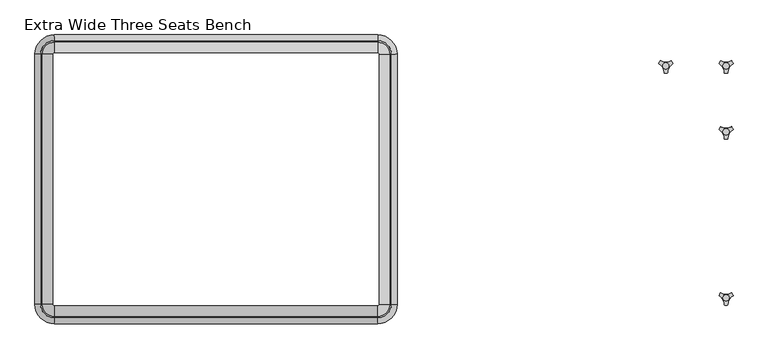
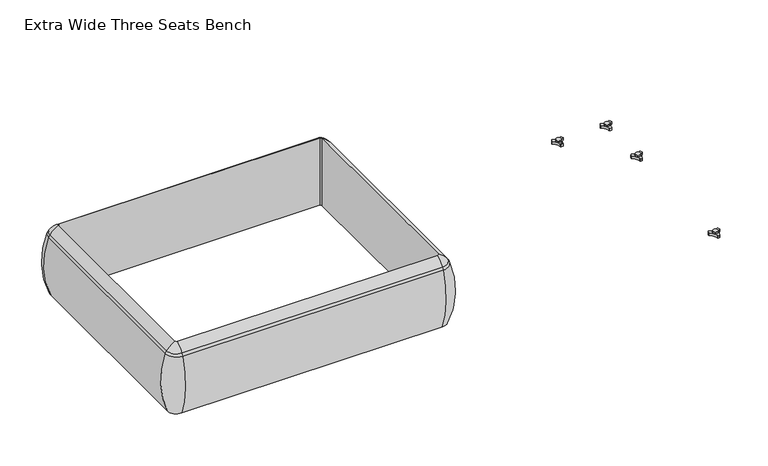
"""IFC4 building model written with IfcOpenShell, lengths in millimetres: furniture geometry, Extra Wide Three Seats Bench."""

from ifc_helpers import new_model, si_unit, point, frame, origin, place, context, project, spatial, polyline, circle_curve, ellipse_curve, trimmed, source, transform, mapped, element, save
from ifc_brep_helpers import plane_surface, cylinder_surface, revolved_surface, advanced_brep


def extra_wide_three_seats_bench_f6587ee9(model_context):
    return source(origin(), model_context, "Body", "AdvancedBrep", [
        advanced_brep(
        [(-1649.118707, -668.4794123, 390.3914007), (-1643.8388998, -673.7592195, 390.3914007), (-1643.8388998, -673.7592195, 123.9999984), (-1649.118707, -668.4794123, 123.9999984), (-1677.8067512, -668.4794123, 123.9999984), (-1643.8388998, -702.4472637, 123.9999984), (-1643.8388998, -710.1267287, 353.7769053), (-1685.4862162, -668.4794123, 353.7769053), (-1649.118707, 89.8571486, 123.9999984), (-1649.118707, 89.8571486, 390.3914007), (-1685.4862162, 89.8571486, 353.7769053), (-1677.8067512, 89.8571486, 123.9999984), (-1643.8388998, 95.1369558, 390.3914007), (-1643.8388998, 95.1369558, 123.9999984), (-1643.8388998, 123.825, 123.9999984), (-1643.8388998, 131.504465, 353.7769053), (-664.6688998, 95.1369558, 123.9999984), (-664.6688998, 95.1369558, 390.3914007), (-664.6688998, 131.504465, 353.7769053), (-664.6688998, 123.825, 123.9999984), (-659.3890925, 89.8571486, 390.3914007), (-659.3890925, 89.8571486, 123.9999984), (-630.7010483, 89.8571486, 123.9999984), (-623.0215833, 89.8571486, 353.7769053), (-659.3890925, -668.4794123, 123.9999984), (-659.3890925, -668.4794123, 390.3914007), (-623.0215833, -668.4794123, 353.7769053), (-630.7010483, -668.4794123, 123.9999984), (-664.6688998, -673.7592195, 390.3914007), (-664.6688998, -673.7592195, 123.9999984), (-664.6688998, -702.4472637, 123.9999984), (-664.6688998, -710.1267287, 353.7769053), (-1680.2677563, -668.4794123, 363.6402875), (-1643.8388998, -704.9082688, 363.6402875), (-1680.2677563, 89.8571486, 363.6402875), (-1643.8388998, 126.2860051, 363.6402875), (-664.6688998, 126.2860051, 363.6402875), (-628.2400432, 89.8571486, 363.6402875), (-628.2400432, -668.4794123, 363.6402875), (-664.6688998, -704.9082688, 363.6402875)],
        [
            (0, 1, circle_curve(frame((-1643.8388998, -668.4794123, 390.3914007), z_axis=(0.0, 0.0, 1.0), x_axis=(0.0, -1.0, 0.0)), 5.2798073)),
            (1, 2),
            (2, 3, circle_curve(frame((-1643.8388998, -668.4794123, 123.9999984), z_axis=(0.0, 0.0, -1.0), x_axis=(0.0, -1.0, 0.0)), 5.2798073)),
            (3, 0),
            (4, 5, circle_curve(frame((-1643.8388998, -668.4794123, 123.9999984), z_axis=(0.0, 0.0, 1.0), x_axis=(0.0, -1.0, 0.0)), 33.9678514)),
            (5, 6, circle_curve(frame((-1643.8388998, -406.0729797, 248.9220234), z_axis=(-1.0, 0.0, 0.0), x_axis=(0.0, -1.0, 0.0)), 321.625914)),
            (6, 7, circle_curve(frame((-1643.8388998, -668.4794123, 353.7769053), z_axis=(0.0, 0.0, -1.0), x_axis=(0.0, -1.0, 0.0)), 41.6473165)),
            (7, 4, circle_curve(frame((-1381.4324672, -668.4794123, 248.9220234), z_axis=(0.0, -1.0, 0.0), x_axis=(-1.0, 0.0, 0.0)), 321.625914)),
            (3, 8),
            (8, 9),
            (9, 0),
            (7, 10),
            (10, 11, circle_curve(frame((-1381.4324672, 89.8571486, 248.9220234), z_axis=(0.0, -1.0, 0.0), x_axis=(-1.0, 0.0, 0.0)), 321.625914)),
            (11, 4),
            (12, 9, circle_curve(frame((-1643.8388998, 89.8571486, 390.3914007), z_axis=(0.0, 0.0, 1.0), x_axis=(-1.0, 0.0, 0.0)), 5.2798073)),
            (8, 13, circle_curve(frame((-1643.8388998, 89.8571486, 123.9999984), z_axis=(0.0, 0.0, -1.0), x_axis=(-1.0, 0.0, 0.0)), 5.2798073)),
            (13, 12),
            (14, 11, circle_curve(frame((-1643.8388998, 89.8571486, 123.9999984), z_axis=(0.0, 0.0, 1.0), x_axis=(-1.0, 0.0, 0.0)), 33.9678514)),
            (10, 15, circle_curve(frame((-1643.8388998, 89.8571486, 353.7769053), z_axis=(0.0, 0.0, -1.0), x_axis=(-1.0, 0.0, 0.0)), 41.6473165)),
            (15, 14, circle_curve(frame((-1643.8388998, -172.549284, 248.9220234), z_axis=(-1.0, 0.0, 0.0), x_axis=(0.0, 1.0, 0.0)), 321.625914)),
            (13, 16),
            (16, 17),
            (17, 12),
            (15, 18),
            (18, 19, circle_curve(frame((-664.6688998, -172.549284, 248.9220234), z_axis=(-1.0, 0.0, 0.0), x_axis=(0.0, 1.0, 0.0)), 321.625914)),
            (19, 14),
            (20, 17, circle_curve(frame((-664.6688998, 89.8571486, 390.3914007), z_axis=(0.0, 0.0, 1.0), x_axis=(0.0, 1.0, 0.0)), 5.2798073)),
            (16, 21, circle_curve(frame((-664.6688998, 89.8571486, 123.9999984), z_axis=(0.0, 0.0, -1.0), x_axis=(0.0, 1.0, 0.0)), 5.2798073)),
            (21, 20),
            (22, 19, circle_curve(frame((-664.6688998, 89.8571486, 123.9999984), z_axis=(0.0, 0.0, 1.0), x_axis=(0.0, 1.0, 0.0)), 33.9678514)),
            (18, 23, circle_curve(frame((-664.6688998, 89.8571486, 353.7769053), z_axis=(0.0, 0.0, -1.0), x_axis=(0.0, 1.0, 0.0)), 41.6473165)),
            (23, 22, circle_curve(frame((-927.0753323, 89.8571486, 248.9220234), z_axis=(0.0, 1.0, 0.0), x_axis=(1.0, 0.0, 0.0)), 321.625914)),
            (21, 24),
            (24, 25),
            (25, 20),
            (23, 26),
            (26, 27, circle_curve(frame((-927.0753323, -668.4794123, 248.9220234), z_axis=(0.0, 1.0, 0.0), x_axis=(1.0, 0.0, 0.0)), 321.625914)),
            (27, 22),
            (28, 25, circle_curve(frame((-664.6688998, -668.4794123, 390.3914007), z_axis=(0.0, 0.0, 1.0), x_axis=(1.0, 0.0, 0.0)), 5.2798073)),
            (24, 29, circle_curve(frame((-664.6688998, -668.4794123, 123.9999984), z_axis=(0.0, 0.0, -1.0), x_axis=(1.0, 0.0, 0.0)), 5.2798073)),
            (29, 28),
            (30, 27, circle_curve(frame((-664.6688998, -668.4794123, 123.9999984), z_axis=(0.0, 0.0, 1.0), x_axis=(1.0, 0.0, 0.0)), 33.9678514)),
            (26, 31, circle_curve(frame((-664.6688998, -668.4794123, 353.7769053), z_axis=(0.0, 0.0, -1.0), x_axis=(1.0, 0.0, 0.0)), 41.6473165)),
            (31, 30, circle_curve(frame((-664.6688998, -406.0729797, 248.9220234), z_axis=(1.0, 0.0, 0.0), x_axis=(0.0, -1.0, 0.0)), 321.625914)),
            (30, 5),
            (2, 29),
            (1, 28),
            (31, 6),
            (32, 33, circle_curve(frame((-1643.8388998, -668.4794123, 363.6402875), z_axis=(0.0, 0.0, 1.0), x_axis=(0.0, -1.0, 0.0)), 36.4288566)),
            (33, 1, circle_curve(frame((-1643.8388998, -629.5266, 307.3762868), z_axis=(-1.0, 0.0, 0.0), x_axis=(0.0, -1.0, 0.0)), 94.0639876)),
            (0, 32, circle_curve(frame((-1604.8860875, -668.4794123, 307.3762868), z_axis=(0.0, -1.0, 0.0), x_axis=(-1.0, 0.0, 0.0)), 94.0639876)),
            (6, 33, circle_curve(frame((-1643.8388998, -675.8620096, 341.9604975), z_axis=(-1.0, 0.0, 0.0), x_axis=(0.0, -1.0, 0.0)), 36.2449785)),
            (32, 7, circle_curve(frame((-1651.2214971, -668.4794123, 341.9604975), z_axis=(0.0, -1.0, 0.0), x_axis=(-1.0, 0.0, 0.0)), 36.2449785)),
            (9, 34, circle_curve(frame((-1604.8860875, 89.8571486, 307.3762868), z_axis=(0.0, -1.0, 0.0), x_axis=(-1.0, 0.0, 0.0)), 94.0639876)),
            (34, 32),
            (34, 10, circle_curve(frame((-1651.2214971, 89.8571486, 341.9604975), z_axis=(0.0, -1.0, 0.0), x_axis=(-1.0, 0.0, 0.0)), 36.2449785)),
            (35, 34, circle_curve(frame((-1643.8388998, 89.8571486, 363.6402875), z_axis=(0.0, 0.0, 1.0), x_axis=(-1.0, 0.0, 0.0)), 36.4288566)),
            (12, 35, circle_curve(frame((-1643.8388998, 50.9043363, 307.3762868), z_axis=(-1.0, 0.0, 0.0), x_axis=(0.0, 1.0, 0.0)), 94.0639876)),
            (35, 15, circle_curve(frame((-1643.8388998, 97.2397459, 341.9604975), z_axis=(-1.0, 0.0, 0.0), x_axis=(0.0, 1.0, 0.0)), 36.2449785)),
            (17, 36, circle_curve(frame((-664.6688998, 50.9043363, 307.3762868), z_axis=(-1.0, 0.0, 0.0), x_axis=(0.0, 1.0, 0.0)), 94.0639876)),
            (36, 35),
            (36, 18, circle_curve(frame((-664.6688998, 97.2397459, 341.9604975), z_axis=(-1.0, 0.0, 0.0), x_axis=(0.0, 1.0, 0.0)), 36.2449785)),
            (37, 36, circle_curve(frame((-664.6688998, 89.8571486, 363.6402875), z_axis=(0.0, 0.0, 1.0), x_axis=(0.0, 1.0, 0.0)), 36.4288566)),
            (20, 37, circle_curve(frame((-703.621712, 89.8571486, 307.3762868), z_axis=(0.0, 1.0, 0.0), x_axis=(1.0, 0.0, 0.0)), 94.0639876)),
            (37, 23, circle_curve(frame((-657.2863024, 89.8571486, 341.9604975), z_axis=(0.0, 1.0, 0.0), x_axis=(1.0, 0.0, 0.0)), 36.2449785)),
            (25, 38, circle_curve(frame((-703.621712, -668.4794123, 307.3762868), z_axis=(0.0, 1.0, 0.0), x_axis=(1.0, 0.0, 0.0)), 94.0639876)),
            (38, 37),
            (38, 26, circle_curve(frame((-657.2863024, -668.4794123, 341.9604975), z_axis=(0.0, 1.0, 0.0), x_axis=(1.0, 0.0, 0.0)), 36.2449785)),
            (39, 38, circle_curve(frame((-664.6688998, -668.4794123, 363.6402875), z_axis=(0.0, 0.0, 1.0), x_axis=(1.0, 0.0, 0.0)), 36.4288566)),
            (28, 39, circle_curve(frame((-664.6688998, -629.5266, 307.3762868), z_axis=(1.0, 0.0, 0.0), x_axis=(0.0, -1.0, 0.0)), 94.0639876)),
            (39, 31, circle_curve(frame((-664.6688998, -675.8620096, 341.9604975), z_axis=(1.0, 0.0, 0.0), x_axis=(0.0, -1.0, 0.0)), 36.2449785)),
            (33, 39),
        ],
        [
            revolved_surface(polyline([(-1643.8388998, -673.7592196, 123.9999984), (-1643.8388998, -673.7592196, 390.3914007)]), (-1643.8388998, -668.4794123, 0.0), (0.0, 0.0, -1.0)),
            revolved_surface(trimmed(ellipse_curve(frame((-1643.8388998, -406.0729797, 248.9220234), z_axis=(1.0, 0.0, 0.0), x_axis=(0.0, -1.0, 0.0)), 321.625914, 321.625914), [point((-1643.8388998, -710.1267287, 353.7769053))], [point((-1643.8388998, -702.4472637, 123.9999984))], True, "CARTESIAN"), (-1643.8388998, -668.4794123, 0.0), (0.0, 0.0, -1.0)),
            plane_surface(frame((-1649.118707, -668.4794123, 123.9999984), z_axis=(1.0, 0.0, 0.0), x_axis=(0.0, 1.0, 0.0))),
            cylinder_surface(frame((-1381.4324672, -668.4794123, 248.9220234), z_axis=(0.0, -1.0, 0.0), x_axis=(-1.0, 0.0, 0.0)), 321.625914),
            revolved_surface(polyline([(-1649.1187071, 89.8571486, 123.9999984), (-1649.1187071, 89.8571486, 390.3914007)]), (-1643.8388998, 89.8571486, 0.0), (0.0, 0.0, -1.0)),
            revolved_surface(trimmed(ellipse_curve(frame((-1381.4324672, 89.8571486, 248.9220234), z_axis=(0.0, -1.0, 0.0), x_axis=(-1.0, 0.0, 0.0)), 321.625914, 321.625914), [point((-1685.4862162, 89.8571486, 353.7769053))], [point((-1677.8067512, 89.8571486, 123.9999984))], True, "CARTESIAN"), (-1643.8388998, 89.8571486, 0.0), (0.0, 0.0, -1.0)),
            plane_surface(frame((-1643.8388998, 95.1369558, 123.9999984), z_axis=(0.0, -1.0, 0.0), x_axis=(1.0, 0.0, 0.0))),
            cylinder_surface(frame((-1643.8388998, -172.549284, 248.9220234), z_axis=(-1.0, 0.0, 0.0), x_axis=(0.0, 1.0, 0.0)), 321.625914),
            revolved_surface(polyline([(-664.6688998, 95.1369559, 123.9999984), (-664.6688998, 95.1369559, 390.3914007)]), (-664.6688998, 89.8571486, 0.0), (0.0, 0.0, -1.0)),
            revolved_surface(trimmed(ellipse_curve(frame((-664.6688998, -172.549284, 248.9220234), z_axis=(-1.0, 0.0, 0.0), x_axis=(0.0, 1.0, 0.0)), 321.625914, 321.625914), [point((-664.6688998, 131.504465, 353.7769053))], [point((-664.6688998, 123.825, 123.9999984))], True, "CARTESIAN"), (-664.6688998, 89.8571486, 0.0), (0.0, 0.0, -1.0)),
            plane_surface(frame((-659.3890925, 89.8571486, 123.9999984), z_axis=(-1.0, 0.0, 0.0), x_axis=(0.0, -1.0, 0.0))),
            cylinder_surface(frame((-927.0753323, 89.8571486, 248.9220234), z_axis=(0.0, 1.0, 0.0), x_axis=(1.0, 0.0, 0.0)), 321.625914),
            revolved_surface(polyline([(-659.3890925, -668.4794123, 123.9999984), (-659.3890925, -668.4794123, 390.3914007)]), (-664.6688998, -668.4794123, 0.0), (0.0, 0.0, -1.0)),
            revolved_surface(trimmed(ellipse_curve(frame((-927.0753323, -668.4794123, 248.9220234), z_axis=(0.0, 1.0, 0.0), x_axis=(1.0, 0.0, 0.0)), 321.625914, 321.625914), [point((-623.0215833, -668.4794123, 353.7769053))], [point((-630.7010483, -668.4794123, 123.9999984))], True, "CARTESIAN"), (-664.6688998, -668.4794123, 0.0), (0.0, 0.0, -1.0)),
            plane_surface(frame((-664.6688998, -702.4472637, 123.9999984), z_axis=(0.0, 0.0, -1.0), x_axis=(-1.0, 0.0, 0.0))),
            plane_surface(frame((-664.6688998, -673.7592195, 123.9999984), z_axis=(0.0, 1.0, 0.0), x_axis=(-1.0, 0.0, 0.0))),
            cylinder_surface(frame((-664.6688998, -406.0729797, 248.9220234), z_axis=(1.0, 0.0, 0.0), x_axis=(0.0, -1.0, 0.0)), 321.625914),
            revolved_surface(trimmed(ellipse_curve(frame((-1643.8388998, -629.5266, 307.3762868), z_axis=(1.0, 0.0, 0.0), x_axis=(0.0, -1.0, 0.0)), 94.0639876, 94.0639876), [point((-1643.8388998, -673.7592195, 390.3914007))], [point((-1643.8388998, -704.9082688, 363.6402875))], True, "CARTESIAN"), (-1643.8388998, -668.4794123, 0.0), (0.0, 0.0, -1.0)),
            revolved_surface(trimmed(ellipse_curve(frame((-1643.8388998, -675.8620096, 341.9604975), z_axis=(1.0, 0.0, 0.0), x_axis=(0.0, -1.0, 0.0)), 36.2449785, 36.2449785), [point((-1643.8388998, -704.9082688, 363.6402875))], [point((-1643.8388998, -710.1267287, 353.7769053))], True, "CARTESIAN"), (-1643.8388998, -668.4794123, 0.0), (0.0, 0.0, -1.0)),
            cylinder_surface(frame((-1604.8860875, -668.4794123, 307.3762868), z_axis=(0.0, -1.0, 0.0), x_axis=(-1.0, 0.0, 0.0)), 94.0639876),
            cylinder_surface(frame((-1651.2214971, -668.4794123, 341.9604975), z_axis=(0.0, -1.0, 0.0), x_axis=(-1.0, 0.0, 0.0)), 36.2449785),
            revolved_surface(trimmed(ellipse_curve(frame((-1604.8860875, 89.8571486, 307.3762868), z_axis=(0.0, -1.0, 0.0), x_axis=(-1.0, 0.0, 0.0)), 94.0639876, 94.0639876), [point((-1649.118707, 89.8571486, 390.3914007))], [point((-1680.2677563, 89.8571486, 363.6402875))], True, "CARTESIAN"), (-1643.8388998, 89.8571486, 0.0), (0.0, 0.0, -1.0)),
            revolved_surface(trimmed(ellipse_curve(frame((-1651.2214971, 89.8571486, 341.9604975), z_axis=(0.0, -1.0, 0.0), x_axis=(-1.0, 0.0, 0.0)), 36.2449785, 36.2449785), [point((-1680.2677563, 89.8571486, 363.6402875))], [point((-1685.4862162, 89.8571486, 353.7769053))], True, "CARTESIAN"), (-1643.8388998, 89.8571486, 0.0), (0.0, 0.0, -1.0)),
            cylinder_surface(frame((-1643.8388998, 50.9043363, 307.3762868), z_axis=(-1.0, 0.0, 0.0), x_axis=(0.0, 1.0, 0.0)), 94.0639876),
            cylinder_surface(frame((-1643.8388998, 97.2397459, 341.9604975), z_axis=(-1.0, 0.0, 0.0), x_axis=(0.0, 1.0, 0.0)), 36.2449785),
            revolved_surface(trimmed(ellipse_curve(frame((-664.6688998, 50.9043363, 307.3762868), z_axis=(-1.0, 0.0, 0.0), x_axis=(0.0, 1.0, 0.0)), 94.0639876, 94.0639876), [point((-664.6688998, 95.1369558, 390.3914007))], [point((-664.6688998, 126.2860051, 363.6402875))], True, "CARTESIAN"), (-664.6688998, 89.8571486, 0.0), (0.0, 0.0, -1.0)),
            revolved_surface(trimmed(ellipse_curve(frame((-664.6688998, 97.2397459, 341.9604975), z_axis=(-1.0, 0.0, 0.0), x_axis=(0.0, 1.0, 0.0)), 36.2449785, 36.2449785), [point((-664.6688998, 126.2860051, 363.6402875))], [point((-664.6688998, 131.504465, 353.7769053))], True, "CARTESIAN"), (-664.6688998, 89.8571486, 0.0), (0.0, 0.0, -1.0)),
            cylinder_surface(frame((-703.621712, 89.8571486, 307.3762868), z_axis=(0.0, 1.0, 0.0), x_axis=(1.0, 0.0, 0.0)), 94.0639876),
            cylinder_surface(frame((-657.2863024, 89.8571486, 341.9604975), z_axis=(0.0, 1.0, 0.0), x_axis=(1.0, 0.0, 0.0)), 36.2449785),
            revolved_surface(trimmed(ellipse_curve(frame((-703.621712, -668.4794123, 307.3762868), z_axis=(0.0, 1.0, 0.0), x_axis=(1.0, 0.0, 0.0)), 94.0639876, 94.0639876), [point((-659.3890925, -668.4794123, 390.3914007))], [point((-628.2400432, -668.4794123, 363.6402875))], True, "CARTESIAN"), (-664.6688998, -668.4794123, 0.0), (0.0, 0.0, -1.0)),
            revolved_surface(trimmed(ellipse_curve(frame((-657.2863024, -668.4794123, 341.9604975), z_axis=(0.0, 1.0, 0.0), x_axis=(1.0, 0.0, 0.0)), 36.2449785, 36.2449785), [point((-628.2400432, -668.4794123, 363.6402875))], [point((-623.0215833, -668.4794123, 353.7769053))], True, "CARTESIAN"), (-664.6688998, -668.4794123, 0.0), (0.0, 0.0, -1.0)),
            cylinder_surface(frame((-664.6688998, -629.5266, 307.3762868), z_axis=(1.0, 0.0, 0.0), x_axis=(0.0, -1.0, 0.0)), 94.0639876),
            cylinder_surface(frame((-664.6688998, -675.8620096, 341.9604975), z_axis=(1.0, 0.0, 0.0), x_axis=(0.0, -1.0, 0.0)), 36.2449785),
        ],
        [
            (0, [[1, 2, 3, 4]]),
            (1, [[5, 6, 7, 8]]),
            (2, [[-4, 9, 10, 11]]),
            (3, [[-8, 12, 13, 14]]),
            (4, [[15, -10, 16, 17]]),
            (5, [[18, -13, 19, 20]]),
            (6, [[-17, 21, 22, 23]]),
            (7, [[-20, 24, 25, 26]]),
            (8, [[27, -22, 28, 29]]),
            (9, [[30, -25, 31, 32]]),
            (10, [[-29, 33, 34, 35]]),
            (11, [[-32, 36, 37, 38]]),
            (12, [[39, -34, 40, 41]]),
            (13, [[42, -37, 43, 44]]),
            (14, [[-38, -42, 45, -5, -14, -18, -26, -30], [46, -40, -33, -28, -21, -16, -9, -3]]),
            (15, [[-41, -46, -2, 47]]),
            (16, [[-44, 48, -6, -45]]),
            (17, [[49, 50, -1, 51]]),
            (18, [[-7, 52, -49, 53]]),
            (19, [[-51, -11, 54, 55]]),
            (20, [[-53, -55, 56, -12]]),
            (21, [[57, -54, -15, 58]]),
            (22, [[-19, -56, -57, 59]]),
            (23, [[-58, -23, 60, 61]]),
            (24, [[-59, -61, 62, -24]]),
            (25, [[63, -60, -27, 64]]),
            (26, [[-31, -62, -63, 65]]),
            (27, [[-64, -35, 66, 67]]),
            (28, [[-65, -67, 68, -36]]),
            (29, [[69, -66, -39, 70]]),
            (30, [[-43, -68, -69, 71]]),
            (31, [[-70, -47, -50, 72]]),
            (32, [[-71, -72, -52, -48]]),
        ],
    ),
        advanced_brep(
        [(373.838792, -633.9963447, 98.611642), (369.6162038, -641.3100819, 98.611642), (370.0141527, -642.4761133, 98.611642), (385.8334234, -669.8758983, 98.611642), (386.6442569, -670.8035397, 98.611642), (395.0894355, -670.8035397, 98.611642), (395.8939637, -669.7137583, 98.611642), (411.9962168, -642.2119553, 98.611642), (412.1174938, -641.3100836, 98.611642), (407.8949039, -633.9963432, 98.611642), (406.6861204, -633.7579584, 98.611642), (375.047572, -633.7579584, 98.611642), (400.2397227, -648.9168654, 98.611642), (381.3347108, -648.9168654, 98.611642), (373.838792, -633.9963447, 88.6531552), (375.047572, -633.7579584, 88.6531552), (406.6861204, -633.7579584, 88.6531552), (407.8949039, -633.9963432, 88.6531552), (412.1174938, -641.3100836, 88.6531552), (411.9962168, -642.2119553, 88.6531552), (395.8939637, -669.7137583, 88.6531552), (395.0894355, -670.8035397, 88.6531552), (386.6442569, -670.8035397, 88.6531552), (385.8334234, -669.8758983, 88.6531552), (370.0141527, -642.4761133, 88.6531552), (369.6162038, -641.3100819, 88.6531552), (381.3347108, -648.9168654, 103.6569541), (400.2397227, -648.9168654, 103.6569541)],
        [
            (0, 1, circle_curve(frame((392.09828, -649.4142898, 98.611642), z_axis=(0.0, 0.0, 1.0), x_axis=(1.0, 0.0, 0.0)), 23.8981576)),
            (1, 2, circle_curve(frame((370.5437624, -641.6444428, 98.611642), z_axis=(0.0, 0.0, 1.0), x_axis=(1.0, 0.0, 0.0)), 0.9859828)),
            (2, 3, circle_curve(frame((351.6187827, -671.3632053, 98.611642), z_axis=(0.0, 0.0, -1.0), x_axis=(1.0, 0.0, 0.0)), 34.246952)),
            (3, 4, circle_curve(frame((386.8184668, -669.8330785, 98.611642), z_axis=(0.0, 0.0, 1.0), x_axis=(1.0, 0.0, 0.0)), 0.9859736)),
            (4, 5, circle_curve(frame((390.8668462, -647.2809943, 98.611642), z_axis=(0.0, 0.0, 1.0), x_axis=(1.0, 0.0, 0.0)), 23.8985439)),
            (5, 6, circle_curve(frame((394.9152236, -669.8330671, 98.611642), z_axis=(0.0, 0.0, 1.0), x_axis=(1.0, 0.0, 0.0)), 0.9859852)),
            (6, 7, circle_curve(frame((430.1156373, -671.285662, 98.611642), z_axis=(0.0, 0.0, -1.0), x_axis=(1.0, 0.0, 0.0)), 34.2577557)),
            (7, 8, circle_curve(frame((411.1899324, -641.644442, 98.611642), z_axis=(0.0, 0.0, 1.0), x_axis=(1.0, 0.0, 0.0)), 0.9859847)),
            (8, 9, circle_curve(frame((389.6358034, -649.4140667, 98.611642), z_axis=(0.0, 0.0, 1.0), x_axis=(1.0, 0.0, 0.0)), 23.8977184)),
            (9, 10, circle_curve(frame((407.1415576, -634.632458, 98.611642), z_axis=(0.0, 0.0, 1.0), x_axis=(1.0, 0.0, 0.0)), 0.9859881)),
            (10, 11, circle_curve(frame((390.8668462, -603.3828618, 98.611642), z_axis=(0.0, 0.0, -1.0), x_axis=(1.0, 0.0, 0.0)), 34.2475683)),
            (11, 0, circle_curve(frame((374.5921369, -634.632454, 98.611642), z_axis=(0.0, 0.0, 1.0), x_axis=(1.0, 0.0, 0.0)), 0.9859835)),
            (12, 13, circle_curve(frame((390.7872168, -648.9168654, 98.611642), z_axis=(0.0, 0.0, -1.0), x_axis=(1.0, 0.0, 0.0)), 9.452506)),
            (13, 12, circle_curve(frame((390.7872168, -648.9168654, 98.611642), z_axis=(0.0, 0.0, -1.0), x_axis=(1.0, 0.0, 0.0)), 9.452506)),
            (14, 15, circle_curve(frame((374.5921369, -634.632454, 88.6531552), z_axis=(0.0, 0.0, -1.0), x_axis=(1.0, 0.0, 0.0)), 0.9859835)),
            (15, 16, circle_curve(frame((390.8668462, -603.3828618, 88.6531552), z_axis=(0.0, 0.0, 1.0), x_axis=(1.0, 0.0, 0.0)), 34.2475683)),
            (16, 17, circle_curve(frame((407.1415576, -634.632458, 88.6531552), z_axis=(0.0, 0.0, -1.0), x_axis=(1.0, 0.0, 0.0)), 0.9859881)),
            (17, 18, circle_curve(frame((389.6358034, -649.4140667, 88.6531552), z_axis=(0.0, 0.0, -1.0), x_axis=(1.0, 0.0, 0.0)), 23.8977184)),
            (18, 19, circle_curve(frame((411.1899324, -641.644442, 88.6531552), z_axis=(0.0, 0.0, -1.0), x_axis=(1.0, 0.0, 0.0)), 0.9859847)),
            (19, 20, circle_curve(frame((430.1156373, -671.285662, 88.6531552), z_axis=(0.0, 0.0, 1.0), x_axis=(1.0, 0.0, 0.0)), 34.2577557)),
            (20, 21, circle_curve(frame((394.9152236, -669.8330671, 88.6531552), z_axis=(0.0, 0.0, -1.0), x_axis=(1.0, 0.0, 0.0)), 0.9859852)),
            (21, 22, circle_curve(frame((390.8668462, -647.2809943, 88.6531552), z_axis=(0.0, 0.0, -1.0), x_axis=(1.0, 0.0, 0.0)), 23.8985439)),
            (22, 23, circle_curve(frame((386.8184668, -669.8330785, 88.6531552), z_axis=(0.0, 0.0, -1.0), x_axis=(1.0, 0.0, 0.0)), 0.9859736)),
            (23, 24, circle_curve(frame((351.6187827, -671.3632053, 88.6531552), z_axis=(0.0, 0.0, 1.0), x_axis=(1.0, 0.0, 0.0)), 34.246952)),
            (24, 25, circle_curve(frame((370.5437624, -641.6444428, 88.6531552), z_axis=(0.0, 0.0, -1.0), x_axis=(1.0, 0.0, 0.0)), 0.9859828)),
            (25, 14, circle_curve(frame((392.09828, -649.4142898, 88.6531552), z_axis=(0.0, 0.0, -1.0), x_axis=(1.0, 0.0, 0.0)), 23.8981576)),
            (26, 27, circle_curve(frame((390.7872168, -648.9168654, 103.6569541), z_axis=(0.0, 0.0, 1.0), x_axis=(1.0, 0.0, 0.0)), 9.452506)),
            (27, 26, circle_curve(frame((390.7872168, -648.9168654, 103.6569541), z_axis=(0.0, 0.0, 1.0), x_axis=(1.0, 0.0, 0.0)), 9.452506)),
            (0, 14),
            (25, 1),
            (24, 2),
            (23, 3),
            (22, 4),
            (21, 5),
            (20, 6),
            (19, 7),
            (18, 8),
            (17, 9),
            (16, 10),
            (15, 11),
            (26, 13),
            (12, 27),
        ],
        [
            plane_surface(frame((415.9964377, -649.4142898, 98.611642), z_axis=(0.0, 0.0, 1.0), x_axis=(0.0, 1.0, 0.0))),
            plane_surface(frame((415.9964377, -649.4142898, 88.6531552), z_axis=(0.0, 0.0, -1.0), x_axis=(0.0, -1.0, 0.0))),
            plane_surface(frame((400.2397227, -648.9168654, 103.6569541), z_axis=(0.0, 0.0, 1.0), x_axis=(0.0, 1.0, 0.0))),
            cylinder_surface(frame((392.09828, -649.4142898, 88.6531552), z_axis=(0.0, 0.0, 1.0), x_axis=(1.0, 0.0, 0.0)), 23.8981576),
            cylinder_surface(frame((370.5437624, -641.6444428, 88.6531552), z_axis=(0.0, 0.0, 1.0), x_axis=(1.0, 0.0, 0.0)), 0.9859828),
            revolved_surface(polyline([(385.8657347, -671.3632053, 88.6531552), (385.8657347, -671.3632053, 98.611642)]), (351.6187827, -671.3632053, 88.6531552), (0.0, 0.0, -1.0)),
            cylinder_surface(frame((386.8184668, -669.8330785, 88.6531552), z_axis=(0.0, 0.0, 1.0), x_axis=(1.0, 0.0, 0.0)), 0.9859736),
            cylinder_surface(frame((390.8668462, -647.2809943, 88.6531552), z_axis=(0.0, 0.0, 1.0), x_axis=(1.0, 0.0, 0.0)), 23.8985439),
            cylinder_surface(frame((394.9152236, -669.8330671, 88.6531552), z_axis=(0.0, 0.0, 1.0), x_axis=(1.0, 0.0, 0.0)), 0.9859852),
            revolved_surface(polyline([(464.373393, -671.285662, 88.6531552), (464.373393, -671.285662, 98.611642)]), (430.1156373, -671.285662, 88.6531552), (0.0, 0.0, -1.0)),
            cylinder_surface(frame((411.1899324, -641.644442, 88.6531552), z_axis=(0.0, 0.0, 1.0), x_axis=(1.0, 0.0, 0.0)), 0.9859847),
            cylinder_surface(frame((389.6358034, -649.4140667, 88.6531552), z_axis=(0.0, 0.0, 1.0), x_axis=(1.0, 0.0, 0.0)), 23.8977184),
            cylinder_surface(frame((407.1415576, -634.632458, 88.6531552), z_axis=(0.0, 0.0, 1.0), x_axis=(1.0, 0.0, 0.0)), 0.9859881),
            revolved_surface(polyline([(425.1144145, -603.3828618, 88.6531552), (425.1144145, -603.3828618, 98.611642)]), (390.8668462, -603.3828618, 88.6531552), (0.0, 0.0, -1.0)),
            cylinder_surface(frame((374.5921369, -634.632454, 88.6531552), z_axis=(0.0, 0.0, 1.0), x_axis=(1.0, 0.0, 0.0)), 0.9859835),
            cylinder_surface(frame((390.7872168, -648.9168654, 98.611642), z_axis=(0.0, 0.0, 1.0), x_axis=(1.0, 0.0, 0.0)), 9.452506),
        ],
        [
            (0, [[1, 2, 3, 4, 5, 6, 7, 8, 9, 10, 11, 12], [13, 14]]),
            (1, [[15, 16, 17, 18, 19, 20, 21, 22, 23, 24, 25, 26]]),
            (2, [[27, 28]]),
            (3, [[-1, 29, -26, 30]]),
            (4, [[-2, -30, -25, 31]]),
            (5, [[-3, -31, -24, 32]]),
            (6, [[-4, -32, -23, 33]]),
            (7, [[-5, -33, -22, 34]]),
            (8, [[-6, -34, -21, 35]]),
            (9, [[-7, -35, -20, 36]]),
            (10, [[-8, -36, -19, 37]]),
            (11, [[-9, -37, -18, 38]]),
            (12, [[-10, -38, -17, 39]]),
            (13, [[-11, -39, -16, 40]]),
            (14, [[-12, -40, -15, -29]]),
            (15, [[-27, 41, -13, 42]]),
            (15, [[-28, -42, -14, -41]]),
        ],
    ),
        advanced_brep(
        [(373.838792, -130.2721038, 98.611642), (369.6162038, -137.585841, 98.611642), (370.0141527, -138.7518724, 98.611642), (385.8334234, -166.1516574, 98.611642), (386.6442569, -167.0792988, 98.611642), (395.0894355, -167.0792988, 98.611642), (395.8939637, -165.9895174, 98.611642), (411.9962168, -138.4877144, 98.611642), (412.1174938, -137.5858427, 98.611642), (407.8949039, -130.2721023, 98.611642), (406.6861204, -130.0337175, 98.611642), (375.047572, -130.0337175, 98.611642), (400.2397227, -145.1926245, 98.611642), (381.3347108, -145.1926245, 98.611642), (373.838792, -130.2721038, 88.6531552), (375.047572, -130.0337175, 88.6531552), (406.6861204, -130.0337175, 88.6531552), (407.8949039, -130.2721023, 88.6531552), (412.1174938, -137.5858427, 88.6531552), (411.9962168, -138.4877144, 88.6531552), (395.8939637, -165.9895174, 88.6531552), (395.0894355, -167.0792988, 88.6531552), (386.6442569, -167.0792988, 88.6531552), (385.8334234, -166.1516574, 88.6531552), (370.0141527, -138.7518724, 88.6531552), (369.6162038, -137.585841, 88.6531552), (381.3347108, -145.1926245, 103.6569541), (400.2397227, -145.1926245, 103.6569541)],
        [
            (0, 1, circle_curve(frame((392.09828, -145.690049, 98.611642), z_axis=(0.0, 0.0, 1.0), x_axis=(1.0, 0.0, 0.0)), 23.8981576)),
            (1, 2, circle_curve(frame((370.5437624, -137.920202, 98.611642), z_axis=(0.0, 0.0, 1.0), x_axis=(1.0, 0.0, 0.0)), 0.9859828)),
            (2, 3, circle_curve(frame((351.6187827, -167.6389644, 98.611642), z_axis=(0.0, 0.0, -1.0), x_axis=(1.0, 0.0, 0.0)), 34.246952)),
            (3, 4, circle_curve(frame((386.8184668, -166.1088376, 98.611642), z_axis=(0.0, 0.0, 1.0), x_axis=(1.0, 0.0, 0.0)), 0.9859736)),
            (4, 5, circle_curve(frame((390.8668462, -143.5567534, 98.611642), z_axis=(0.0, 0.0, 1.0), x_axis=(1.0, 0.0, 0.0)), 23.8985439)),
            (5, 6, circle_curve(frame((394.9152236, -166.1088262, 98.611642), z_axis=(0.0, 0.0, 1.0), x_axis=(1.0, 0.0, 0.0)), 0.9859852)),
            (6, 7, circle_curve(frame((430.1156373, -167.5614211, 98.611642), z_axis=(0.0, 0.0, -1.0), x_axis=(1.0, 0.0, 0.0)), 34.2577557)),
            (7, 8, circle_curve(frame((411.1899324, -137.9202011, 98.611642), z_axis=(0.0, 0.0, 1.0), x_axis=(1.0, 0.0, 0.0)), 0.9859847)),
            (8, 9, circle_curve(frame((389.6358034, -145.6898258, 98.611642), z_axis=(0.0, 0.0, 1.0), x_axis=(1.0, 0.0, 0.0)), 23.8977184)),
            (9, 10, circle_curve(frame((407.1415576, -130.9082171, 98.611642), z_axis=(0.0, 0.0, 1.0), x_axis=(1.0, 0.0, 0.0)), 0.9859881)),
            (10, 11, circle_curve(frame((390.8668462, -99.6586209, 98.611642), z_axis=(0.0, 0.0, -1.0), x_axis=(1.0, 0.0, 0.0)), 34.2475683)),
            (11, 0, circle_curve(frame((374.5921369, -130.9082131, 98.611642), z_axis=(0.0, 0.0, 1.0), x_axis=(1.0, 0.0, 0.0)), 0.9859835)),
            (12, 13, circle_curve(frame((390.7872168, -145.1926245, 98.611642), z_axis=(0.0, 0.0, -1.0), x_axis=(1.0, 0.0, 0.0)), 9.452506)),
            (13, 12, circle_curve(frame((390.7872168, -145.1926245, 98.611642), z_axis=(0.0, 0.0, -1.0), x_axis=(1.0, 0.0, 0.0)), 9.452506)),
            (14, 15, circle_curve(frame((374.5921369, -130.9082131, 88.6531552), z_axis=(0.0, 0.0, -1.0), x_axis=(1.0, 0.0, 0.0)), 0.9859835)),
            (15, 16, circle_curve(frame((390.8668462, -99.6586209, 88.6531552), z_axis=(0.0, 0.0, 1.0), x_axis=(1.0, 0.0, 0.0)), 34.2475683)),
            (16, 17, circle_curve(frame((407.1415576, -130.9082171, 88.6531552), z_axis=(0.0, 0.0, -1.0), x_axis=(1.0, 0.0, 0.0)), 0.9859881)),
            (17, 18, circle_curve(frame((389.6358034, -145.6898258, 88.6531552), z_axis=(0.0, 0.0, -1.0), x_axis=(1.0, 0.0, 0.0)), 23.8977184)),
            (18, 19, circle_curve(frame((411.1899324, -137.9202011, 88.6531552), z_axis=(0.0, 0.0, -1.0), x_axis=(1.0, 0.0, 0.0)), 0.9859847)),
            (19, 20, circle_curve(frame((430.1156373, -167.5614211, 88.6531552), z_axis=(0.0, 0.0, 1.0), x_axis=(1.0, 0.0, 0.0)), 34.2577557)),
            (20, 21, circle_curve(frame((394.9152236, -166.1088262, 88.6531552), z_axis=(0.0, 0.0, -1.0), x_axis=(1.0, 0.0, 0.0)), 0.9859852)),
            (21, 22, circle_curve(frame((390.8668462, -143.5567534, 88.6531552), z_axis=(0.0, 0.0, -1.0), x_axis=(1.0, 0.0, 0.0)), 23.8985439)),
            (22, 23, circle_curve(frame((386.8184668, -166.1088376, 88.6531552), z_axis=(0.0, 0.0, -1.0), x_axis=(1.0, 0.0, 0.0)), 0.9859736)),
            (23, 24, circle_curve(frame((351.6187827, -167.6389644, 88.6531552), z_axis=(0.0, 0.0, 1.0), x_axis=(1.0, 0.0, 0.0)), 34.246952)),
            (24, 25, circle_curve(frame((370.5437624, -137.920202, 88.6531552), z_axis=(0.0, 0.0, -1.0), x_axis=(1.0, 0.0, 0.0)), 0.9859828)),
            (25, 14, circle_curve(frame((392.09828, -145.690049, 88.6531552), z_axis=(0.0, 0.0, -1.0), x_axis=(1.0, 0.0, 0.0)), 23.8981576)),
            (26, 27, circle_curve(frame((390.7872168, -145.1926245, 103.6569541), z_axis=(0.0, 0.0, 1.0), x_axis=(1.0, 0.0, 0.0)), 9.452506)),
            (27, 26, circle_curve(frame((390.7872168, -145.1926245, 103.6569541), z_axis=(0.0, 0.0, 1.0), x_axis=(1.0, 0.0, 0.0)), 9.452506)),
            (0, 14),
            (25, 1),
            (24, 2),
            (23, 3),
            (22, 4),
            (21, 5),
            (20, 6),
            (19, 7),
            (18, 8),
            (17, 9),
            (16, 10),
            (15, 11),
            (26, 13),
            (12, 27),
        ],
        [
            plane_surface(frame((415.9964377, -145.690049, 98.611642), z_axis=(0.0, 0.0, 1.0), x_axis=(0.0, 1.0, 0.0))),
            plane_surface(frame((415.9964377, -145.690049, 88.6531552), z_axis=(0.0, 0.0, -1.0), x_axis=(0.0, -1.0, 0.0))),
            plane_surface(frame((400.2397227, -145.1926245, 103.6569541), z_axis=(0.0, 0.0, 1.0), x_axis=(0.0, 1.0, 0.0))),
            cylinder_surface(frame((392.09828, -145.690049, 88.6531552), z_axis=(0.0, 0.0, 1.0), x_axis=(1.0, 0.0, 0.0)), 23.8981576),
            cylinder_surface(frame((370.5437624, -137.920202, 88.6531552), z_axis=(0.0, 0.0, 1.0), x_axis=(1.0, 0.0, 0.0)), 0.9859828),
            revolved_surface(polyline([(385.8657347, -167.6389644, 88.6531552), (385.8657347, -167.6389644, 98.611642)]), (351.6187827, -167.6389644, 88.6531552), (0.0, 0.0, -1.0)),
            cylinder_surface(frame((386.8184668, -166.1088376, 88.6531552), z_axis=(0.0, 0.0, 1.0), x_axis=(1.0, 0.0, 0.0)), 0.9859736),
            cylinder_surface(frame((390.8668462, -143.5567534, 88.6531552), z_axis=(0.0, 0.0, 1.0), x_axis=(1.0, 0.0, 0.0)), 23.8985439),
            cylinder_surface(frame((394.9152236, -166.1088262, 88.6531552), z_axis=(0.0, 0.0, 1.0), x_axis=(1.0, 0.0, 0.0)), 0.9859852),
            revolved_surface(polyline([(464.373393, -167.5614211, 88.6531552), (464.373393, -167.5614211, 98.611642)]), (430.1156373, -167.5614211, 88.6531552), (0.0, 0.0, -1.0)),
            cylinder_surface(frame((411.1899324, -137.9202011, 88.6531552), z_axis=(0.0, 0.0, 1.0), x_axis=(1.0, 0.0, 0.0)), 0.9859847),
            cylinder_surface(frame((389.6358034, -145.6898258, 88.6531552), z_axis=(0.0, 0.0, 1.0), x_axis=(1.0, 0.0, 0.0)), 23.8977184),
            cylinder_surface(frame((407.1415576, -130.9082171, 88.6531552), z_axis=(0.0, 0.0, 1.0), x_axis=(1.0, 0.0, 0.0)), 0.9859881),
            revolved_surface(polyline([(425.1144145, -99.6586209, 88.6531552), (425.1144145, -99.6586209, 98.611642)]), (390.8668462, -99.6586209, 88.6531552), (0.0, 0.0, -1.0)),
            cylinder_surface(frame((374.5921369, -130.9082131, 88.6531552), z_axis=(0.0, 0.0, 1.0), x_axis=(1.0, 0.0, 0.0)), 0.9859835),
            cylinder_surface(frame((390.7872168, -145.1926245, 98.611642), z_axis=(0.0, 0.0, 1.0), x_axis=(1.0, 0.0, 0.0)), 9.452506),
        ],
        [
            (0, [[1, 2, 3, 4, 5, 6, 7, 8, 9, 10, 11, 12], [13, 14]]),
            (1, [[15, 16, 17, 18, 19, 20, 21, 22, 23, 24, 25, 26]]),
            (2, [[27, 28]]),
            (3, [[-1, 29, -26, 30]]),
            (4, [[-2, -30, -25, 31]]),
            (5, [[-3, -31, -24, 32]]),
            (6, [[-4, -32, -23, 33]]),
            (7, [[-5, -33, -22, 34]]),
            (8, [[-6, -34, -21, 35]]),
            (9, [[-7, -35, -20, 36]]),
            (10, [[-8, -36, -19, 37]]),
            (11, [[-9, -37, -18, 38]]),
            (12, [[-10, -38, -17, 39]]),
            (13, [[-11, -39, -16, 40]]),
            (14, [[-12, -40, -15, -29]]),
            (15, [[-27, 41, -13, 42]]),
            (15, [[-28, -42, -14, -41]]),
        ],
    ),
        advanced_brep(
        [(373.838792, 69.7278978, 98.611642), (369.6162038, 62.4141605, 98.611642), (370.0141527, 61.2481292, 98.611642), (385.8334234, 33.8483441, 98.611642), (386.6442569, 32.9207027, 98.611642), (395.0894355, 32.9207027, 98.611642), (395.8939637, 34.0104841, 98.611642), (411.9962168, 61.5122871, 98.611642), (412.1174938, 62.4141588, 98.611642), (407.8949039, 69.7278992, 98.611642), (406.6861204, 69.966284, 98.611642), (375.047572, 69.966284, 98.611642), (400.2397227, 54.807377, 98.611642), (381.3347108, 54.807377, 98.611642), (373.838792, 69.7278978, 88.6531552), (375.047572, 69.966284, 88.6531552), (406.6861204, 69.966284, 88.6531552), (407.8949039, 69.7278992, 88.6531552), (412.1174938, 62.4141588, 88.6531552), (411.9962168, 61.5122871, 88.6531552), (395.8939637, 34.0104841, 88.6531552), (395.0894355, 32.9207027, 88.6531552), (386.6442569, 32.9207027, 88.6531552), (385.8334234, 33.8483441, 88.6531552), (370.0141527, 61.2481292, 88.6531552), (369.6162038, 62.4141605, 88.6531552), (381.3347108, 54.807377, 103.6569541), (400.2397227, 54.807377, 103.6569541)],
        [
            (0, 1, circle_curve(frame((392.09828, 54.3099526, 98.611642), z_axis=(0.0, 0.0, 1.0), x_axis=(1.0, 0.0, 0.0)), 23.8981576)),
            (1, 2, circle_curve(frame((370.5437624, 62.0797996, 98.611642), z_axis=(0.0, 0.0, 1.0), x_axis=(1.0, 0.0, 0.0)), 0.9859828)),
            (2, 3, circle_curve(frame((351.6187827, 32.3610372, 98.611642), z_axis=(0.0, 0.0, -1.0), x_axis=(1.0, 0.0, 0.0)), 34.246952)),
            (3, 4, circle_curve(frame((386.8184668, 33.8911639, 98.611642), z_axis=(0.0, 0.0, 1.0), x_axis=(1.0, 0.0, 0.0)), 0.9859736)),
            (4, 5, circle_curve(frame((390.8668462, 56.4432481, 98.611642), z_axis=(0.0, 0.0, 1.0), x_axis=(1.0, 0.0, 0.0)), 23.8985439)),
            (5, 6, circle_curve(frame((394.9152236, 33.8911753, 98.611642), z_axis=(0.0, 0.0, 1.0), x_axis=(1.0, 0.0, 0.0)), 0.9859852)),
            (6, 7, circle_curve(frame((430.1156373, 32.4385804, 98.611642), z_axis=(0.0, 0.0, -1.0), x_axis=(1.0, 0.0, 0.0)), 34.2577557)),
            (7, 8, circle_curve(frame((411.1899324, 62.0798004, 98.611642), z_axis=(0.0, 0.0, 1.0), x_axis=(1.0, 0.0, 0.0)), 0.9859847)),
            (8, 9, circle_curve(frame((389.6358034, 54.3101757, 98.611642), z_axis=(0.0, 0.0, 1.0), x_axis=(1.0, 0.0, 0.0)), 23.8977184)),
            (9, 10, circle_curve(frame((407.1415576, 69.0917844, 98.611642), z_axis=(0.0, 0.0, 1.0), x_axis=(1.0, 0.0, 0.0)), 0.9859881)),
            (10, 11, circle_curve(frame((390.8668462, 100.3413806, 98.611642), z_axis=(0.0, 0.0, -1.0), x_axis=(1.0, 0.0, 0.0)), 34.2475683)),
            (11, 0, circle_curve(frame((374.5921369, 69.0917885, 98.611642), z_axis=(0.0, 0.0, 1.0), x_axis=(1.0, 0.0, 0.0)), 0.9859835)),
            (12, 13, circle_curve(frame((390.7872168, 54.807377, 98.611642), z_axis=(0.0, 0.0, -1.0), x_axis=(1.0, 0.0, 0.0)), 9.452506)),
            (13, 12, circle_curve(frame((390.7872168, 54.807377, 98.611642), z_axis=(0.0, 0.0, -1.0), x_axis=(1.0, 0.0, 0.0)), 9.452506)),
            (14, 15, circle_curve(frame((374.5921369, 69.0917885, 88.6531552), z_axis=(0.0, 0.0, -1.0), x_axis=(1.0, 0.0, 0.0)), 0.9859835)),
            (15, 16, circle_curve(frame((390.8668462, 100.3413806, 88.6531552), z_axis=(0.0, 0.0, 1.0), x_axis=(1.0, 0.0, 0.0)), 34.2475683)),
            (16, 17, circle_curve(frame((407.1415576, 69.0917844, 88.6531552), z_axis=(0.0, 0.0, -1.0), x_axis=(1.0, 0.0, 0.0)), 0.9859881)),
            (17, 18, circle_curve(frame((389.6358034, 54.3101757, 88.6531552), z_axis=(0.0, 0.0, -1.0), x_axis=(1.0, 0.0, 0.0)), 23.8977184)),
            (18, 19, circle_curve(frame((411.1899324, 62.0798004, 88.6531552), z_axis=(0.0, 0.0, -1.0), x_axis=(1.0, 0.0, 0.0)), 0.9859847)),
            (19, 20, circle_curve(frame((430.1156373, 32.4385804, 88.6531552), z_axis=(0.0, 0.0, 1.0), x_axis=(1.0, 0.0, 0.0)), 34.2577557)),
            (20, 21, circle_curve(frame((394.9152236, 33.8911753, 88.6531552), z_axis=(0.0, 0.0, -1.0), x_axis=(1.0, 0.0, 0.0)), 0.9859852)),
            (21, 22, circle_curve(frame((390.8668462, 56.4432481, 88.6531552), z_axis=(0.0, 0.0, -1.0), x_axis=(1.0, 0.0, 0.0)), 23.8985439)),
            (22, 23, circle_curve(frame((386.8184668, 33.8911639, 88.6531552), z_axis=(0.0, 0.0, -1.0), x_axis=(1.0, 0.0, 0.0)), 0.9859736)),
            (23, 24, circle_curve(frame((351.6187827, 32.3610372, 88.6531552), z_axis=(0.0, 0.0, 1.0), x_axis=(1.0, 0.0, 0.0)), 34.246952)),
            (24, 25, circle_curve(frame((370.5437624, 62.0797996, 88.6531552), z_axis=(0.0, 0.0, -1.0), x_axis=(1.0, 0.0, 0.0)), 0.9859828)),
            (25, 14, circle_curve(frame((392.09828, 54.3099526, 88.6531552), z_axis=(0.0, 0.0, -1.0), x_axis=(1.0, 0.0, 0.0)), 23.8981576)),
            (26, 27, circle_curve(frame((390.7872168, 54.807377, 103.6569541), z_axis=(0.0, 0.0, 1.0), x_axis=(1.0, 0.0, 0.0)), 9.452506)),
            (27, 26, circle_curve(frame((390.7872168, 54.807377, 103.6569541), z_axis=(0.0, 0.0, 1.0), x_axis=(1.0, 0.0, 0.0)), 9.452506)),
            (0, 14),
            (25, 1),
            (24, 2),
            (23, 3),
            (22, 4),
            (21, 5),
            (20, 6),
            (19, 7),
            (18, 8),
            (17, 9),
            (16, 10),
            (15, 11),
            (26, 13),
            (12, 27),
        ],
        [
            plane_surface(frame((415.9964377, 54.3099526, 98.611642), z_axis=(0.0, 0.0, 1.0), x_axis=(0.0, 1.0, 0.0))),
            plane_surface(frame((415.9964377, 54.3099526, 88.6531552), z_axis=(0.0, 0.0, -1.0), x_axis=(0.0, -1.0, 0.0))),
            plane_surface(frame((400.2397227, 54.807377, 103.6569541), z_axis=(0.0, 0.0, 1.0), x_axis=(0.0, 1.0, 0.0))),
            cylinder_surface(frame((392.09828, 54.3099526, 88.6531552), z_axis=(0.0, 0.0, 1.0), x_axis=(1.0, 0.0, 0.0)), 23.8981576),
            cylinder_surface(frame((370.5437624, 62.0797996, 88.6531552), z_axis=(0.0, 0.0, 1.0), x_axis=(1.0, 0.0, 0.0)), 0.9859828),
            revolved_surface(polyline([(385.8657347, 32.3610372, 88.6531552), (385.8657347, 32.3610372, 98.611642)]), (351.6187827, 32.3610372, 88.6531552), (0.0, 0.0, -1.0)),
            cylinder_surface(frame((386.8184668, 33.8911639, 88.6531552), z_axis=(0.0, 0.0, 1.0), x_axis=(1.0, 0.0, 0.0)), 0.9859736),
            cylinder_surface(frame((390.8668462, 56.4432481, 88.6531552), z_axis=(0.0, 0.0, 1.0), x_axis=(1.0, 0.0, 0.0)), 23.8985439),
            cylinder_surface(frame((394.9152236, 33.8911753, 88.6531552), z_axis=(0.0, 0.0, 1.0), x_axis=(1.0, 0.0, 0.0)), 0.9859852),
            revolved_surface(polyline([(464.373393, 32.4385804, 88.6531552), (464.373393, 32.4385804, 98.611642)]), (430.1156373, 32.4385804, 88.6531552), (0.0, 0.0, -1.0)),
            cylinder_surface(frame((411.1899324, 62.0798004, 88.6531552), z_axis=(0.0, 0.0, 1.0), x_axis=(1.0, 0.0, 0.0)), 0.9859847),
            cylinder_surface(frame((389.6358034, 54.3101757, 88.6531552), z_axis=(0.0, 0.0, 1.0), x_axis=(1.0, 0.0, 0.0)), 23.8977184),
            cylinder_surface(frame((407.1415576, 69.0917844, 88.6531552), z_axis=(0.0, 0.0, 1.0), x_axis=(1.0, 0.0, 0.0)), 0.9859881),
            revolved_surface(polyline([(425.1144145, 100.3413806, 88.6531552), (425.1144145, 100.3413806, 98.611642)]), (390.8668462, 100.3413806, 88.6531552), (0.0, 0.0, -1.0)),
            cylinder_surface(frame((374.5921369, 69.0917885, 88.6531552), z_axis=(0.0, 0.0, 1.0), x_axis=(1.0, 0.0, 0.0)), 0.9859835),
            cylinder_surface(frame((390.7872168, 54.807377, 98.611642), z_axis=(0.0, 0.0, 1.0), x_axis=(1.0, 0.0, 0.0)), 9.452506),
        ],
        [
            (0, [[1, 2, 3, 4, 5, 6, 7, 8, 9, 10, 11, 12], [13, 14]]),
            (1, [[15, 16, 17, 18, 19, 20, 21, 22, 23, 24, 25, 26]]),
            (2, [[27, 28]]),
            (3, [[-1, 29, -26, 30]]),
            (4, [[-2, -30, -25, 31]]),
            (5, [[-3, -31, -24, 32]]),
            (6, [[-4, -32, -23, 33]]),
            (7, [[-5, -33, -22, 34]]),
            (8, [[-6, -34, -21, 35]]),
            (9, [[-7, -35, -20, 36]]),
            (10, [[-8, -36, -19, 37]]),
            (11, [[-9, -37, -18, 38]]),
            (12, [[-10, -38, -17, 39]]),
            (13, [[-11, -39, -16, 40]]),
            (14, [[-12, -40, -15, -29]]),
            (15, [[-27, 41, -13, 42]]),
            (15, [[-28, -42, -14, -41]]),
        ],
    ),
        advanced_brep(
        [(191.4388063, 69.7278978, 98.611642), (187.2162181, 62.4141605, 98.611642), (187.614167, 61.2481292, 98.611642), (203.4334377, 33.8483441, 98.611642), (204.2442712, 32.9207027, 98.611642), (212.6894498, 32.9207027, 98.611642), (213.493978, 34.0104841, 98.611642), (229.5962311, 61.5122871, 98.611642), (229.7175081, 62.4141588, 98.611642), (225.4949182, 69.7278992, 98.611642), (224.2861347, 69.966284, 98.611642), (192.6475863, 69.966284, 98.611642), (217.839737, 54.807377, 98.611642), (198.9347251, 54.807377, 98.611642), (191.4388063, 69.7278978, 88.6531552), (192.6475863, 69.966284, 88.6531552), (224.2861347, 69.966284, 88.6531552), (225.4949182, 69.7278992, 88.6531552), (229.7175081, 62.4141588, 88.6531552), (229.5962311, 61.5122871, 88.6531552), (213.493978, 34.0104841, 88.6531552), (212.6894498, 32.9207027, 88.6531552), (204.2442712, 32.9207027, 88.6531552), (203.4334377, 33.8483441, 88.6531552), (187.614167, 61.2481292, 88.6531552), (187.2162181, 62.4141605, 88.6531552), (198.9347251, 54.807377, 103.6569541), (217.839737, 54.807377, 103.6569541)],
        [
            (0, 1, circle_curve(frame((209.6982944, 54.3099526, 98.611642), z_axis=(0.0, 0.0, 1.0), x_axis=(1.0, 0.0, 0.0)), 23.8981576)),
            (1, 2, circle_curve(frame((188.1437767, 62.0797996, 98.611642), z_axis=(0.0, 0.0, 1.0), x_axis=(1.0, 0.0, 0.0)), 0.9859828)),
            (2, 3, circle_curve(frame((169.218797, 32.3610372, 98.611642), z_axis=(0.0, 0.0, -1.0), x_axis=(1.0, 0.0, 0.0)), 34.246952)),
            (3, 4, circle_curve(frame((204.4184811, 33.8911639, 98.611642), z_axis=(0.0, 0.0, 1.0), x_axis=(1.0, 0.0, 0.0)), 0.9859736)),
            (4, 5, circle_curve(frame((208.4668605, 56.4432481, 98.611642), z_axis=(0.0, 0.0, 1.0), x_axis=(1.0, 0.0, 0.0)), 23.8985439)),
            (5, 6, circle_curve(frame((212.5152379, 33.8911753, 98.611642), z_axis=(0.0, 0.0, 1.0), x_axis=(1.0, 0.0, 0.0)), 0.9859852)),
            (6, 7, circle_curve(frame((247.7156517, 32.4385804, 98.611642), z_axis=(0.0, 0.0, -1.0), x_axis=(1.0, 0.0, 0.0)), 34.2577557)),
            (7, 8, circle_curve(frame((228.7899467, 62.0798004, 98.611642), z_axis=(0.0, 0.0, 1.0), x_axis=(1.0, 0.0, 0.0)), 0.9859847)),
            (8, 9, circle_curve(frame((207.2358178, 54.3101757, 98.611642), z_axis=(0.0, 0.0, 1.0), x_axis=(1.0, 0.0, 0.0)), 23.8977184)),
            (9, 10, circle_curve(frame((224.7415719, 69.0917844, 98.611642), z_axis=(0.0, 0.0, 1.0), x_axis=(1.0, 0.0, 0.0)), 0.9859881)),
            (10, 11, circle_curve(frame((208.4668605, 100.3413806, 98.611642), z_axis=(0.0, 0.0, -1.0), x_axis=(1.0, 0.0, 0.0)), 34.2475683)),
            (11, 0, circle_curve(frame((192.1921512, 69.0917885, 98.611642), z_axis=(0.0, 0.0, 1.0), x_axis=(1.0, 0.0, 0.0)), 0.9859835)),
            (12, 13, circle_curve(frame((208.3872311, 54.807377, 98.611642), z_axis=(0.0, 0.0, -1.0), x_axis=(1.0, 0.0, 0.0)), 9.452506)),
            (13, 12, circle_curve(frame((208.3872311, 54.807377, 98.611642), z_axis=(0.0, 0.0, -1.0), x_axis=(1.0, 0.0, 0.0)), 9.452506)),
            (14, 15, circle_curve(frame((192.1921512, 69.0917885, 88.6531552), z_axis=(0.0, 0.0, -1.0), x_axis=(1.0, 0.0, 0.0)), 0.9859835)),
            (15, 16, circle_curve(frame((208.4668605, 100.3413806, 88.6531552), z_axis=(0.0, 0.0, 1.0), x_axis=(1.0, 0.0, 0.0)), 34.2475683)),
            (16, 17, circle_curve(frame((224.7415719, 69.0917844, 88.6531552), z_axis=(0.0, 0.0, -1.0), x_axis=(1.0, 0.0, 0.0)), 0.9859881)),
            (17, 18, circle_curve(frame((207.2358178, 54.3101757, 88.6531552), z_axis=(0.0, 0.0, -1.0), x_axis=(1.0, 0.0, 0.0)), 23.8977184)),
            (18, 19, circle_curve(frame((228.7899467, 62.0798004, 88.6531552), z_axis=(0.0, 0.0, -1.0), x_axis=(1.0, 0.0, 0.0)), 0.9859847)),
            (19, 20, circle_curve(frame((247.7156517, 32.4385804, 88.6531552), z_axis=(0.0, 0.0, 1.0), x_axis=(1.0, 0.0, 0.0)), 34.2577557)),
            (20, 21, circle_curve(frame((212.5152379, 33.8911753, 88.6531552), z_axis=(0.0, 0.0, -1.0), x_axis=(1.0, 0.0, 0.0)), 0.9859852)),
            (21, 22, circle_curve(frame((208.4668605, 56.4432481, 88.6531552), z_axis=(0.0, 0.0, -1.0), x_axis=(1.0, 0.0, 0.0)), 23.8985439)),
            (22, 23, circle_curve(frame((204.4184811, 33.8911639, 88.6531552), z_axis=(0.0, 0.0, -1.0), x_axis=(1.0, 0.0, 0.0)), 0.9859736)),
            (23, 24, circle_curve(frame((169.218797, 32.3610372, 88.6531552), z_axis=(0.0, 0.0, 1.0), x_axis=(1.0, 0.0, 0.0)), 34.246952)),
            (24, 25, circle_curve(frame((188.1437767, 62.0797996, 88.6531552), z_axis=(0.0, 0.0, -1.0), x_axis=(1.0, 0.0, 0.0)), 0.9859828)),
            (25, 14, circle_curve(frame((209.6982944, 54.3099526, 88.6531552), z_axis=(0.0, 0.0, -1.0), x_axis=(1.0, 0.0, 0.0)), 23.8981576)),
            (26, 27, circle_curve(frame((208.3872311, 54.807377, 103.6569541), z_axis=(0.0, 0.0, 1.0), x_axis=(1.0, 0.0, 0.0)), 9.452506)),
            (27, 26, circle_curve(frame((208.3872311, 54.807377, 103.6569541), z_axis=(0.0, 0.0, 1.0), x_axis=(1.0, 0.0, 0.0)), 9.452506)),
            (0, 14),
            (25, 1),
            (24, 2),
            (23, 3),
            (22, 4),
            (21, 5),
            (20, 6),
            (19, 7),
            (18, 8),
            (17, 9),
            (16, 10),
            (15, 11),
            (26, 13),
            (12, 27),
        ],
        [
            plane_surface(frame((233.596452, 54.3099526, 98.611642), z_axis=(0.0, 0.0, 1.0), x_axis=(0.0, 1.0, 0.0))),
            plane_surface(frame((233.596452, 54.3099526, 88.6531552), z_axis=(0.0, 0.0, -1.0), x_axis=(0.0, -1.0, 0.0))),
            plane_surface(frame((217.839737, 54.807377, 103.6569541), z_axis=(0.0, 0.0, 1.0), x_axis=(0.0, 1.0, 0.0))),
            cylinder_surface(frame((209.6982944, 54.3099526, 88.6531552), z_axis=(0.0, 0.0, 1.0), x_axis=(1.0, 0.0, 0.0)), 23.8981576),
            cylinder_surface(frame((188.1437767, 62.0797996, 88.6531552), z_axis=(0.0, 0.0, 1.0), x_axis=(1.0, 0.0, 0.0)), 0.9859828),
            revolved_surface(polyline([(203.465749, 32.3610372, 88.6531552), (203.465749, 32.3610372, 98.611642)]), (169.218797, 32.3610372, 88.6531552), (0.0, 0.0, -1.0)),
            cylinder_surface(frame((204.4184811, 33.8911639, 88.6531552), z_axis=(0.0, 0.0, 1.0), x_axis=(1.0, 0.0, 0.0)), 0.9859736),
            cylinder_surface(frame((208.4668605, 56.4432481, 88.6531552), z_axis=(0.0, 0.0, 1.0), x_axis=(1.0, 0.0, 0.0)), 23.8985439),
            cylinder_surface(frame((212.5152379, 33.8911753, 88.6531552), z_axis=(0.0, 0.0, 1.0), x_axis=(1.0, 0.0, 0.0)), 0.9859852),
            revolved_surface(polyline([(281.9734074, 32.4385804, 88.6531552), (281.9734074, 32.4385804, 98.611642)]), (247.7156517, 32.4385804, 88.6531552), (0.0, 0.0, -1.0)),
            cylinder_surface(frame((228.7899467, 62.0798004, 88.6531552), z_axis=(0.0, 0.0, 1.0), x_axis=(1.0, 0.0, 0.0)), 0.9859847),
            cylinder_surface(frame((207.2358178, 54.3101757, 88.6531552), z_axis=(0.0, 0.0, 1.0), x_axis=(1.0, 0.0, 0.0)), 23.8977184),
            cylinder_surface(frame((224.7415719, 69.0917844, 88.6531552), z_axis=(0.0, 0.0, 1.0), x_axis=(1.0, 0.0, 0.0)), 0.9859881),
            revolved_surface(polyline([(242.7144288, 100.3413806, 88.6531552), (242.7144288, 100.3413806, 98.611642)]), (208.4668605, 100.3413806, 88.6531552), (0.0, 0.0, -1.0)),
            cylinder_surface(frame((192.1921512, 69.0917885, 88.6531552), z_axis=(0.0, 0.0, 1.0), x_axis=(1.0, 0.0, 0.0)), 0.9859835),
            cylinder_surface(frame((208.3872311, 54.807377, 98.611642), z_axis=(0.0, 0.0, 1.0), x_axis=(1.0, 0.0, 0.0)), 9.452506),
        ],
        [
            (0, [[1, 2, 3, 4, 5, 6, 7, 8, 9, 10, 11, 12], [13, 14]]),
            (1, [[15, 16, 17, 18, 19, 20, 21, 22, 23, 24, 25, 26]]),
            (2, [[27, 28]]),
            (3, [[-1, 29, -26, 30]]),
            (4, [[-2, -30, -25, 31]]),
            (5, [[-3, -31, -24, 32]]),
            (6, [[-4, -32, -23, 33]]),
            (7, [[-5, -33, -22, 34]]),
            (8, [[-6, -34, -21, 35]]),
            (9, [[-7, -35, -20, 36]]),
            (10, [[-8, -36, -19, 37]]),
            (11, [[-9, -37, -18, 38]]),
            (12, [[-10, -38, -17, 39]]),
            (13, [[-11, -39, -16, 40]]),
            (14, [[-12, -40, -15, -29]]),
            (15, [[-27, 41, -13, 42]]),
            (15, [[-28, -42, -14, -41]]),
        ],
    ),
    ])


if __name__ == "__main__":
    model = new_model("IFC4")
    model_context = context("Model", 3, world=origin())
    ifc_project = project(units=[si_unit("LENGTHUNIT", "METRE", prefix="MILLI")], contexts=[model_context])
    site = spatial("IfcSite", under=ifc_project)
    building = spatial("IfcBuilding", under=site)
    placement = place(None, origin())
    extra_wide_three_seats_bench_shape = extra_wide_three_seats_bench_f6587ee9(model_context)
    element("IfcFurniture", 1, ObjectType="Extra Wide Three Seats Bench", at=placement, inside=building, context=model_context, shape_type="MappedRepresentation", body=[
        mapped(extra_wide_three_seats_bench_shape, transform((0.0, 0.0, 0.0), x_axis=(1.0, 0.0, 0.0), y_axis=(0.0, 1.0, 0.0), z_axis=(0.0, 0.0, 1.0))),
    ])
    save(model, "model.ifc")
